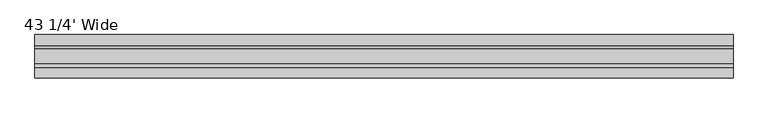
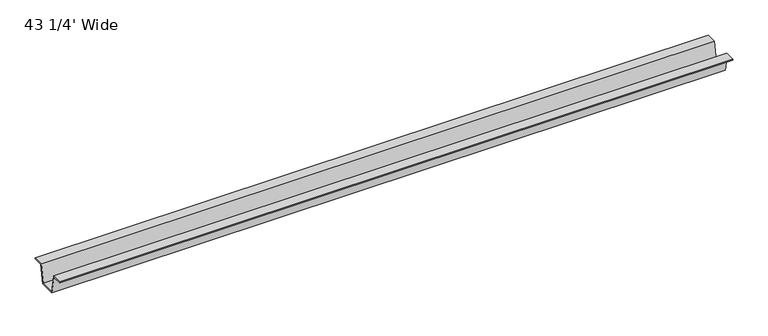
"""IFC4 building model written with IfcOpenShell, lengths in millimetres: furniture geometry, 43 1/4' Wide."""

from ifc_helpers import new_model, si_unit, frame, origin, place, context, project, spatial, polyline, outline, extrude, source, transform, mapped, element, save


def furniture_43_1_4_wide_be67dc96(model_context):
    return source(origin(), model_context, "Body", "SweptSolid", [
        extrude(outline(polyline([(137.3862362, 703.326), (121.485835, 703.326), (115.9232385, 673.1000008), (90.5232355, 673.1000008), (84.960639, 703.326), (69.0602378, 703.326), (69.0602378, 704.85), (85.9714992, 704.85), (91.5808402, 674.3700008), (114.8656337, 674.3700008), (120.4749747, 704.85), (137.3862362, 704.85), (137.3862362, 703.326)])), frame((56.104992, 0.0, 0.0), z_axis=(1.0, 0.0, 0.0), x_axis=(0.0, 1.0, 0.0)), (0.0, 0.0, 1.0), 1098.55),
    ])


if __name__ == "__main__":
    model = new_model("IFC4")
    model_context = context("Model", 3, world=origin())
    ifc_project = project(units=[si_unit("LENGTHUNIT", "METRE", prefix="MILLI")], contexts=[model_context])
    site = spatial("IfcSite", under=ifc_project)
    building = spatial("IfcBuilding", under=site)
    placement = place(None, origin())
    furniture_43_1_4_wide_shape = furniture_43_1_4_wide_be67dc96(model_context)
    element("IfcFurniture", 1, ObjectType="43 1/4' Wide", at=placement, inside=building, context=model_context, shape_type="MappedRepresentation", body=[
        mapped(furniture_43_1_4_wide_shape, transform((0.0, 0.0, 0.0), x_axis=(1.0, 0.0, 0.0), y_axis=(0.0, 1.0, 0.0), z_axis=(0.0, 0.0, 1.0))),
    ])
    save(model, "model.ifc")
